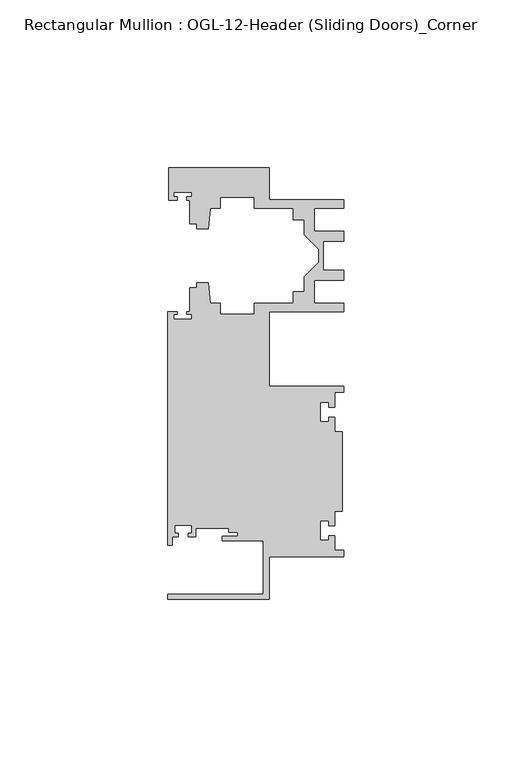
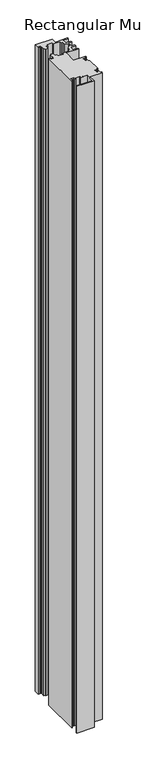
"""IFC4 building model written with IfcOpenShell, lengths in millimetres: member geometry, Rectangular Mullion : OGL-12-Header (Sliding Doors)_Corner."""

from ifc_helpers import new_model, si_unit, frame, origin, place, context, project, spatial, polyline, outline, extrude, source, transform, mapped, element, save


def rectangular_mullion_ogl_12_header_sliding_doors_corner_84af5c1f(model_context):
    return source(origin(), model_context, "Body", "SweptSolid", [
        extrude(outline(polyline([(0.0, 4.7625), (-22.2332898, 4.7625), (-22.2332898, -7.9371792), (-52.3921824, -7.9371792), (-52.3921824, -6.350016), (-24.0747898, -6.350016), (-24.0747898, 9.5708266), (-36.2104247, 9.5708266), (-36.2104247, 10.8618293), (-31.5444935, 10.8618293), (-31.5444935, 12.0114739), (-34.2833684, 12.0114739), (-34.2833684, 13.2983325), (-44.1094055, 13.2983325), (-44.1094055, 10.6800725), (-46.3304245, 10.6800725), (-46.3304245, 11.6873375), (-45.359407, 11.6873375), (-45.359407, 14.1873325), (-50.359397, 14.1873325), (-50.359397, 11.6873375), (-49.3568347, 11.6873375), (-49.3568347, 10.6800725), (-51.1362531, 10.6800725), (-51.1362531, 8.1914024), (-52.3921824, 8.1914024), (-52.3921824, 77.745996), (-49.5910554, 77.745996), (-49.5910554, 76.8721046), (-50.6220715, 76.8721046), (-50.6220715, 75.4943149), (-45.3220715, 75.4943149), (-45.3220715, 76.8721046), (-46.769305, 76.8721046), (-46.769305, 77.745996), (-45.9710366, 77.745996), (-45.9710366, 84.8247994), (-43.7582575, 84.8247994), (-43.7582575, 86.375852), (-40.3395523, 86.375852), (-39.7961967, 80.1652691), (-36.8419772, 80.1652691), (-36.8419772, 77.000852), (-26.7462575, 77.000852), (-26.7462575, 80.175852), (-15.0768765, 80.175852), (-15.0768765, 83.575852), (-11.8582575, 83.575852), (-11.8582575, 88.0571468), (-7.4980859, 92.4173184), (-7.4980859, 96.2965176), (-11.8582575, 100.6566892), (-11.8582575, 105.137984), (-15.0768765, 105.137984), (-15.0768765, 108.537984), (-26.7462575, 108.537984), (-26.7462575, 111.712984), (-36.8419772, 111.712984), (-36.8419772, 108.5485669), (-39.7961967, 108.5485669), (-40.3395523, 102.337984), (-43.7582575, 102.337984), (-43.7582575, 103.9254518), (-45.9710366, 103.9254518), (-45.9710366, 110.9050364), (-46.8181909, 110.9050364), (-46.8181909, 111.8781466), (-45.3220715, 111.8781466), (-45.3220715, 113.2559363), (-50.6220715, 113.2559363), (-50.6220715, 111.8781466), (-49.5692346, 111.8781466), (-49.5692346, 110.9050364), (-52.2095715, 110.9050364), (-52.2095715, 120.4877352), (-22.2032575, 120.4877352), (-22.2032575, 111.037984), (-0.0082575, 111.037984), (-0.0082575, 108.537984), (-8.8582575, 108.537984), (-8.8582575, 101.6950565), (-0.0082575, 101.6950565), (-0.0082575, 98.6950565), (-6.1582575, 98.6950565), (-6.1582575, 90.0187795), (-0.0082575, 90.0187795), (-0.0082575, 87.0187795), (-8.8582575, 87.0187795), (-8.8582575, 80.175852), (-0.0082575, 80.175852), (-0.0082575, 77.675852), (-22.2332898, 77.675852), (-22.2332898, 55.5625), (0.0, 55.5625), (0.0, 53.650676), (-2.740223, 53.650676), (-2.740223, 49.3020859), (-4.5407068, 49.3020859), (-4.5407068, 50.6896706), (-7.0406862, 50.6896706), (-7.0406862, 44.9276725), (-4.5407047, 44.9276725), (-4.5407047, 46.3230952), (-2.740223, 46.3230952), (-2.740223, 41.9666704), (-0.508, 41.9666704), (-0.508, 18.3583296), (-2.740223, 18.3583296), (-2.740223, 14.0019048), (-4.5407047, 14.0019048), (-4.5407047, 15.3973275), (-7.0406862, 15.3973275), (-7.0406862, 9.6353294), (-4.5407068, 9.6353294), (-4.5407068, 11.0229141), (-2.740223, 11.0229141), (-2.740223, 6.674324), (0.0, 6.674324), (0.0, 4.7625)])), frame((0.0, 0.0, -1206.5), z_axis=(0.0, 0.0, 1.0), x_axis=(1.0, 0.0, 0.0)), (0.0, 0.0, 1.0), 1206.5),
    ])


if __name__ == "__main__":
    model = new_model("IFC4")
    model_context = context("Model", 3, world=origin())
    ifc_project = project(units=[si_unit("LENGTHUNIT", "METRE", prefix="MILLI")], contexts=[model_context])
    site = spatial("IfcSite", under=ifc_project)
    building = spatial("IfcBuilding", under=site)
    placement = place(None, origin())
    rectangular_mullion_ogl_12_header_sliding_doors_corner_shape = rectangular_mullion_ogl_12_header_sliding_doors_corner_84af5c1f(model_context)
    element("IfcMember", 1, ObjectType="Rectangular Mullion : OGL-12-Header (Sliding Doors)_Corner", at=placement, inside=building, context=model_context, shape_type="MappedRepresentation", body=[
        mapped(rectangular_mullion_ogl_12_header_sliding_doors_corner_shape, transform((0.0, 0.0, 0.0), x_axis=(1.0, 0.0, 0.0), y_axis=(0.0, 1.0, 0.0), z_axis=(0.0, 0.0, 1.0))),
    ])
    save(model, "model.ifc")
